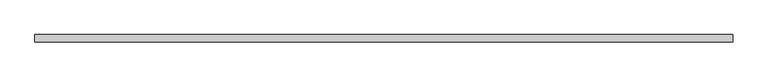
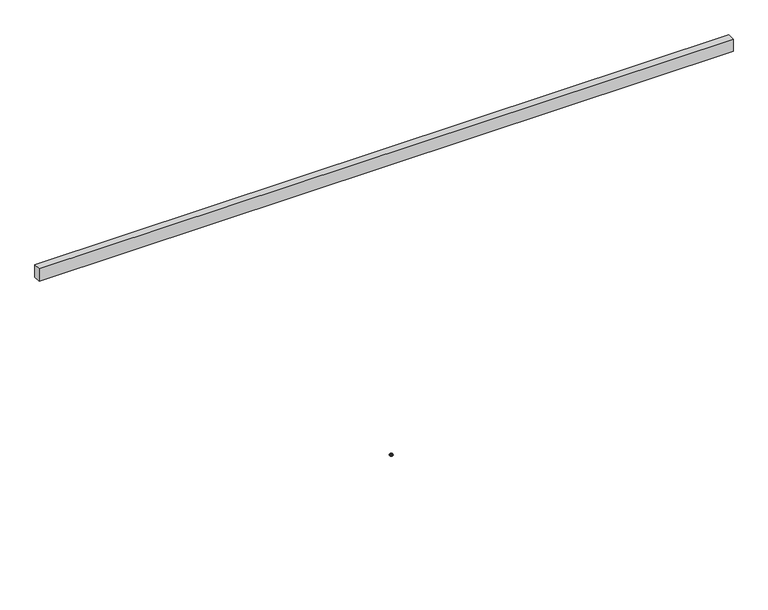
"""IFC4 building model written with IfcOpenShell, lengths in millimetres: furniture geometry."""

import ifcopenshell
import ifcopenshell.guid

model = None  # the IFC model being written
_history = None  # IfcOwnerHistory: only IFC2X3 demands one
_inside = {}  # id of a spatial element -> (the spatial element, [elements in it])
_under = {}  # id of a project, library or spatial element -> (it, [spatial elements below it])
_declared = {}  # id of a project -> (the project, [libraries it declares])
_typed = {}  # id of a type object -> (the type object, [elements of that type])
_made_of = {}  # id of a material, layer set ... -> (it, [elements and type objects made of it])


def new_model(schema):
    """Start an empty IFC model of exactly this schema.

    Asked for "IFC4X3", IfcOpenShell would pick the latest addendum, in which some entities
    have other attributes; the version numbers below select the first issue.
    IFC2X3 requires an IfcOwnerHistory on every rooted entity: one is made here for all.
    """
    global model, _history
    if schema == "IFC4X3":
        model = ifcopenshell.file(schema_version=(4, 3, 0, 0))
    else:
        model = ifcopenshell.file(schema=schema)
    _inside.clear()
    _under.clear()
    _declared.clear()
    _typed.clear()
    _made_of.clear()
    _history = None
    if model.schema == "IFC2X3":
        org = make("IfcOrganization", Name="unknown")
        user = make(
            "IfcPersonAndOrganization",
            ThePerson=make("IfcPerson", FamilyName="unknown"),
            TheOrganization=org,
        )
        app = make(
            "IfcApplication",
            ApplicationDeveloper=org,
            Version="unknown",
            ApplicationFullName="unknown",
            ApplicationIdentifier="unknown",
        )
        _history = make(
            "IfcOwnerHistory",
            OwningUser=user,
            OwningApplication=app,
            ChangeAction="ADDED",
            CreationDate=0,
        )
    return model


def make(cls, **values):
    """One entity of the class cls with the attributes given. An attribute that is None is left unset."""
    return model.create_entity(
        cls, **{name: value for name, value in values.items() if value is not None}
    )


def rooted(cls, **values):
    """An entity with a GlobalId (a new one), such as an element, a storey or a relation."""
    return make(cls, GlobalId=ifcopenshell.guid.new(), OwnerHistory=_history, **values)


def si_unit(unit_type, name, prefix=None):
    """IfcSIUnit, for example si_unit("LENGTHUNIT", "METRE", prefix="MILLI")."""
    return make("IfcSIUnit", UnitType=unit_type, Prefix=prefix, Name=name)


def assignment(units):
    """IfcUnitAssignment: the units of a project."""
    return None if units is None else make("IfcUnitAssignment", Units=units)


def point(xyz):
    """IfcCartesianPoint."""
    return None if xyz is None else make("IfcCartesianPoint", Coordinates=xyz)


def direction(xyz):
    """IfcDirection."""
    return None if xyz is None else make("IfcDirection", DirectionRatios=xyz)


def frame(location, z_axis=None, x_axis=None):
    """IfcAxis2Placement3D, a coordinate frame: its origin and axes. An axis left out is left unset."""
    return make(
        "IfcAxis2Placement3D",
        Location=point(location),
        Axis=direction(z_axis),
        RefDirection=direction(x_axis),
    )


def origin():
    """The frame at (0, 0, 0) with its axes left unset."""
    return frame((0.0, 0.0, 0.0))


def place(relative_to, where):
    """IfcLocalPlacement: puts the frame where relative to a parent placement (None: the world)."""
    return make(
        "IfcLocalPlacement", PlacementRelTo=relative_to, RelativePlacement=where
    )


def context(
    kind, dimensions, precision=None, world=None, true_north=None, identifier=None
):
    """IfcGeometricRepresentationContext, for example the 3D "Model" context."""
    return make(
        "IfcGeometricRepresentationContext",
        ContextIdentifier=identifier,
        ContextType=kind,
        CoordinateSpaceDimension=dimensions,
        Precision=precision,
        WorldCoordinateSystem=world,
        TrueNorth=true_north,
    )


def project(units=None, contexts=None):
    """IfcProject with its units and contexts."""
    return rooted(
        "IfcProject",
        Name="project",
        RepresentationContexts=contexts,
        UnitsInContext=assignment(units),
    )


def spatial(cls, under=None, at=None, **own):
    """A site, building, storey or space (cls), placed at a placement, below another one or the project."""
    s = rooted(cls, ObjectPlacement=at, **own)
    if under is not None:
        _under.setdefault(under.id(), (under, []))[1].append(s)
    return s


def polyline(points):
    """IfcPolyline through the points."""
    return make("IfcPolyline", Points=[point(p) for p in points])


def circle_curve(where, radius):
    """IfcCircle in the frame where."""
    return make("IfcCircle", Position=where, Radius=radius)


def outline(outer, holes=None, kind="AREA"):
    """IfcArbitraryClosedProfileDef: a profile drawn as a closed curve; with holes, ...WithVoids."""
    if holes is None:
        return make("IfcArbitraryClosedProfileDef", ProfileType=kind, OuterCurve=outer)
    return make(
        "IfcArbitraryProfileDefWithVoids",
        ProfileType=kind,
        OuterCurve=outer,
        InnerCurves=holes,
    )


def extrude(swept, where, along, depth):
    """IfcExtrudedAreaSolid: the profile swept, set in the frame where, extruded along a direction by depth."""
    return make(
        "IfcExtrudedAreaSolid",
        SweptArea=swept,
        Position=where,
        ExtrudedDirection=direction(along),
        Depth=depth,
    )


def shape(context_of_items, identifier, shape_type, items):
    """IfcShapeRepresentation: the items that make up one representation, for example the "Body"."""
    return make(
        "IfcShapeRepresentation",
        ContextOfItems=context_of_items,
        RepresentationIdentifier=identifier,
        RepresentationType=shape_type,
        Items=items,
    )


def source(mapping_origin, context_of_items, identifier, shape_type, items):
    """IfcRepresentationMap: a shape defined once, which mapped items show again and again."""
    return make(
        "IfcRepresentationMap",
        MappingOrigin=mapping_origin,
        MappedRepresentation=shape(context_of_items, identifier, shape_type, items),
    )


def transform(
    local_origin,
    x_axis=None,
    y_axis=None,
    z_axis=None,
    scale=None,
    scale2=None,
    scale3=None,
    uniform=True,
):
    """IfcCartesianTransformationOperator3D, or its non-uniform kind. x_axis, y_axis, z_axis: its Axis1, 2, 3."""
    if uniform:
        return make(
            "IfcCartesianTransformationOperator3D",
            Axis1=direction(x_axis),
            Axis2=direction(y_axis),
            LocalOrigin=point(local_origin),
            Scale=scale,
            Axis3=direction(z_axis),
        )
    return make(
        "IfcCartesianTransformationOperator3DnonUniform",
        Axis1=direction(x_axis),
        Axis2=direction(y_axis),
        LocalOrigin=point(local_origin),
        Scale=scale,
        Axis3=direction(z_axis),
        Scale2=scale2,
        Scale3=scale3,
    )


def mapped(mapping_source, mapping_target):
    """IfcMappedItem: shows the shape of a source again, moved by a transform."""
    return make(
        "IfcMappedItem", MappingSource=mapping_source, MappingTarget=mapping_target
    )


def made_of(thing, what):
    """Note that an element or type object is made of a material, layer set ...; save() writes the relation."""
    if what is not None:
        _made_of.setdefault(what.id(), (what, []))[1].append(thing)
    return thing


def element(
    cls,
    number,
    at=None,
    inside=None,
    cuts=None,
    type_object=None,
    material=None,
    context=None,
    identifier="Body",
    shape_type=None,
    held_by="IfcProductDefinitionShape",
    body=None,
    shapes=None,
    **own,
):
    """One element of the class cls, such as IfcWall. Its Tag is "e" and its number.

    at: its placement. inside: the storey or other place that contains it. cuts: it is an
    opening in that element (IfcRelVoidsElement). A single representation is given by context,
    identifier, shape_type and body (its items); several are given by shapes. held_by: the class
    of the entity that holds the representations. save() writes the other relations.
    """
    e = rooted(cls, Tag="e%d" % number, ObjectPlacement=at, **own)
    if body is not None:
        shapes = [shape(context, identifier, shape_type, body)]
    if shapes is not None:
        e.Representation = make(held_by, Representations=shapes)
    if inside is not None:
        _inside.setdefault(inside.id(), (inside, []))[1].append(e)
    if cuts is not None:
        rooted(
            "IfcRelVoidsElement", RelatingBuildingElement=cuts, RelatedOpeningElement=e
        )
    if type_object is not None:
        _typed.setdefault(type_object.id(), (type_object, []))[1].append(e)
    return made_of(e, material)


def aggregate(whole, parts):
    """IfcRelAggregates: a whole, such as a stair, and the parts it consists of."""
    return rooted("IfcRelAggregates", RelatingObject=whole, RelatedObjects=parts)


def save(model, path):
    """Write the relations noted so far, then the file.

    IfcRelAggregates (storeys below a building ...), IfcRelContainedInSpatialStructure (elements
    in a storey), IfcRelDefinesByType, IfcRelAssociatesMaterial and IfcRelDeclares: one each for
    every whole, place, type object, material and project.
    """
    for whole, parts in _under.values():
        aggregate(whole, parts)
    for where, things in _inside.values():
        rooted(
            "IfcRelContainedInSpatialStructure",
            RelatedElements=things,
            RelatingStructure=where,
        )
    for kind, things in _typed.values():
        rooted("IfcRelDefinesByType", RelatedObjects=things, RelatingType=kind)
    for what, things in _made_of.values():
        rooted("IfcRelAssociatesMaterial", RelatedObjects=things, RelatingMaterial=what)
    for by, libraries in _declared.values():
        rooted("IfcRelDeclares", RelatingContext=by, RelatedDefinitions=libraries)
    model.write(path)


def plane_surface(at):
    """IfcPlane: the flat surface through the origin of the frame at, square to its z axis."""
    return make("IfcPlane", Position=at)


def cylinder_surface(at, radius):
    """IfcCylindricalSurface: all points at the distance radius from the z axis of the frame at."""
    return make("IfcCylindricalSurface", Position=at, Radius=radius)


def revolved_surface(curve, axis_point, axis_direction):
    """IfcSurfaceOfRevolution: the curve turned about the line through axis_point along axis_direction."""
    return make(
        "IfcSurfaceOfRevolution",
        SweptCurve=make("IfcArbitraryOpenProfileDef", ProfileType="CURVE", Curve=curve),
        AxisPosition=make("IfcAxis1Placement", Location=point(axis_point), Axis=direction(axis_direction)),
    )


def advanced_brep(points, edges, surfaces, faces):
    """IfcAdvancedBrep: a solid bounded by faces that lie on surfaces and meet in shared edges.

    An edge is (start, end): straight between two places in points (the first is 0);
    or (start, end, curve); or (start, end, curve, False) where it runs against its curve.
    A face is (place in surfaces, loops), or (place, loops, False) where it looks against
    its surface's normal. A loop lists edges by number (the first is 1), with a minus sign
    where the edge is run from its end to its start. The first loop is the outer one.
    """
    corners = [point(p) for p in points]
    vertices = [make("IfcVertexPoint", VertexGeometry=c) for c in corners]
    made = []
    for start, end, *more in edges:
        made.append(
            make(
                "IfcEdgeCurve",
                EdgeStart=vertices[start],
                EdgeEnd=vertices[end],
                EdgeGeometry=more[0] if more else make("IfcPolyline", Points=[corners[start], corners[end]]),
                SameSense=more[1] if len(more) > 1 else True,
            )
        )
    hull = []
    for where, loops, *sense in faces:
        bounds = []
        for j, loop in enumerate(loops):
            ring = [make("IfcOrientedEdge", EdgeElement=made[abs(k) - 1], Orientation=k > 0) for k in loop]
            bounds.append(
                make(
                    "IfcFaceOuterBound" if j == 0 else "IfcFaceBound",
                    Bound=make("IfcEdgeLoop", EdgeList=ring),
                    Orientation=True,
                )
            )
        hull.append(make("IfcAdvancedFace", Bounds=bounds, FaceSurface=surfaces[where], SameSense=sense[0] if sense else True))
    return make("IfcAdvancedBrep", Outer=make("IfcClosedShell", CfsFaces=hull))


def furniture_5e34e4fe(model_context):
    return source(origin(), model_context, "Body", "SolidModel", [
        advanced_brep(
        [(2510.7764925, 0.0, 8.6192084), (2494.3443075, 0.0, 8.6192084), (2495.8530817, 0.0, 8.6192084), (2509.2677183, 0.0, 8.6192084), (2512.4222074, 0.0, 7.9542964), (2492.6985926, 0.0, 7.9542964), (2513.4488395, 0.0, 6.9276644), (2491.6719605, 0.0, 6.9276644), (2513.8095185, 0.0, 5.5815918), (2491.3112815, 0.0, 5.5815918), (2513.8095185, 0.0, 3.5917842), (2491.3112815, 0.0, 3.5917842), (2513.0115956, 0.0, 1.6168555), (2492.1092044, 0.0, 1.6168555), (2511.1583049, 0.0, 0.5457096), (2493.9624951, 0.0, 0.5457096), (2506.4560655, 0.0, 0.1343169), (2498.6647345, 0.0, 0.1343169), (2502.5604, 0.0, 0.1343169), (2509.2677183, 0.0, 12.2513995), (2495.8530817, 0.0, 12.2513995), (2502.5604, 0.0, 12.2513995)],
        [
            (0, 1, circle_curve(frame((2502.5604, 0.0, 8.6192084), z_axis=(0.0, 0.0, 1.0), x_axis=(-1.0, 0.0, 0.0)), 8.2160925)),
            (1, 2),
            (2, 3, circle_curve(frame((2502.5604, 0.0, 8.6192084), z_axis=(0.0, 0.0, -1.0), x_axis=(-1.0, 0.0, 0.0)), 6.7073183)),
            (3, 0),
            (1, 0, circle_curve(frame((2502.5604, 0.0, 8.6192084), z_axis=(0.0, 0.0, 1.0), x_axis=(-1.0, 0.0, 0.0)), 8.2160925)),
            (3, 2, circle_curve(frame((2502.5604, 0.0, 8.6192084), z_axis=(0.0, 0.0, -1.0), x_axis=(-1.0, 0.0, 0.0)), 6.7073183)),
            (4, 5, circle_curve(frame((2502.5604, 0.0, 7.9542964), z_axis=(0.0, 0.0, 1.0), x_axis=(-1.0, 0.0, 0.0)), 9.8618074)),
            (5, 1),
            (0, 4),
            (5, 4, circle_curve(frame((2502.5604, 0.0, 7.9542964), z_axis=(0.0, 0.0, 1.0), x_axis=(-1.0, 0.0, 0.0)), 9.8618074)),
            (6, 7, circle_curve(frame((2502.5604, 0.0, 6.9276644), z_axis=(0.0, 0.0, 1.0), x_axis=(-1.0, 0.0, 0.0)), 10.8884395)),
            (7, 5),
            (4, 6),
            (7, 6, circle_curve(frame((2502.5604, 0.0, 6.9276644), z_axis=(0.0, 0.0, 1.0), x_axis=(-1.0, 0.0, 0.0)), 10.8884395)),
            (8, 9, circle_curve(frame((2502.5604, 0.0, 5.5815918), z_axis=(0.0, 0.0, 1.0), x_axis=(-1.0, 0.0, 0.0)), 11.2491185)),
            (9, 7),
            (6, 8),
            (9, 8, circle_curve(frame((2502.5604, 0.0, 5.5815918), z_axis=(0.0, 0.0, 1.0), x_axis=(-1.0, 0.0, 0.0)), 11.2491185)),
            (10, 11, circle_curve(frame((2502.5604, 0.0, 3.5917842), z_axis=(0.0, 0.0, 1.0), x_axis=(-1.0, 0.0, 0.0)), 11.2491185)),
            (11, 9),
            (8, 10),
            (11, 10, circle_curve(frame((2502.5604, 0.0, 3.5917842), z_axis=(0.0, 0.0, 1.0), x_axis=(-1.0, 0.0, 0.0)), 11.2491185)),
            (12, 13, circle_curve(frame((2502.5604, 0.0, 1.6168555), z_axis=(0.0, 0.0, 1.0), x_axis=(-1.0, 0.0, 0.0)), 10.4511956)),
            (13, 11),
            (10, 12),
            (13, 12, circle_curve(frame((2502.5604, 0.0, 1.6168555), z_axis=(0.0, 0.0, 1.0), x_axis=(-1.0, 0.0, 0.0)), 10.4511956)),
            (14, 15, circle_curve(frame((2502.5604, 0.0, 0.5457096), z_axis=(0.0, 0.0, 1.0), x_axis=(-1.0, 0.0, 0.0)), 8.5979049)),
            (15, 13),
            (12, 14),
            (15, 14, circle_curve(frame((2502.5604, 0.0, 0.5457096), z_axis=(0.0, 0.0, 1.0), x_axis=(-1.0, 0.0, 0.0)), 8.5979049)),
            (16, 17, circle_curve(frame((2502.5604, 0.0, 0.1343169), z_axis=(0.0, 0.0, 1.0), x_axis=(-1.0, 0.0, 0.0)), 3.8956655)),
            (17, 15),
            (14, 16),
            (17, 16, circle_curve(frame((2502.5604, 0.0, 0.1343169), z_axis=(0.0, 0.0, 1.0), x_axis=(-1.0, 0.0, 0.0)), 3.8956655)),
            (18, 17),
            (16, 18),
            (19, 20, circle_curve(frame((2502.5604, 0.0, 12.2513995), z_axis=(0.0, 0.0, 1.0), x_axis=(-1.0, 0.0, 0.0)), 6.7073183)),
            (20, 21),
            (21, 19),
            (20, 19, circle_curve(frame((2502.5604, 0.0, 12.2513995), z_axis=(0.0, 0.0, 1.0), x_axis=(-1.0, 0.0, 0.0)), 6.7073183)),
            (2, 20),
            (19, 3),
        ],
        [
            plane_surface(frame((2502.5604, 0.0, 8.6192084), z_axis=(0.0, 0.0, 1.0), x_axis=(-1.0, 0.0, 0.0))),
            revolved_surface(polyline([(2494.3443075, 0.0, 8.6192084), (2492.6985926, 0.0, 7.9542964)]), (2502.5604, 0.0, 32.4719493), (0.0, 0.0, -1.0)),
            revolved_surface(polyline([(2492.6985926, 0.0, 7.9542964), (2491.6719605, 0.0, 6.9276644)]), (2502.5604, 0.0, 32.4719493), (0.0, 0.0, -1.0)),
            revolved_surface(polyline([(2491.6719605, 0.0, 6.9276644), (2491.3112815, 0.0, 5.5815918)]), (2502.5604, 0.0, 32.4719493), (0.0, 0.0, -1.0)),
            cylinder_surface(frame((2502.5604, 0.0, 32.4719493), z_axis=(0.0, 0.0, -1.0), x_axis=(-1.0, 0.0, 0.0)), 11.2491185),
            revolved_surface(polyline([(2491.3112815, 0.0, 3.5917842), (2492.1092044, 0.0, 1.6168555)]), (2502.5604, 0.0, 32.4719493), (0.0, 0.0, -1.0)),
            revolved_surface(polyline([(2492.1092044, 0.0, 1.6168555), (2493.9624951, 0.0, 0.5457096)]), (2502.5604, 0.0, 32.4719493), (0.0, 0.0, -1.0)),
            revolved_surface(polyline([(2493.9624951, 0.0, 0.5457096), (2498.6647345, 0.0, 0.1343169)]), (2502.5604, 0.0, 32.4719493), (0.0, 0.0, -1.0)),
            plane_surface(frame((2502.5604, 0.0, 0.1343169), z_axis=(0.0, 0.0, -1.0), x_axis=(-1.0, 0.0, 0.0))),
            plane_surface(frame((2502.5604, 0.0, 12.2513995), z_axis=(0.0, 0.0, 1.0), x_axis=(-1.0, 0.0, 0.0))),
            cylinder_surface(frame((2502.5604, 0.0, 32.4719493), z_axis=(0.0, 0.0, -1.0), x_axis=(-1.0, 0.0, 0.0)), 6.7073183),
        ],
        [
            (0, [[1, 2, 3, 4]]),
            (0, [[5, -4, 6, -2]]),
            (1, [[7, 8, -1, 9]]),
            (1, [[10, -9, -5, -8]]),
            (2, [[11, 12, -7, 13]]),
            (2, [[14, -13, -10, -12]]),
            (3, [[15, 16, -11, 17]]),
            (3, [[18, -17, -14, -16]]),
            (4, [[19, 20, -15, 21]]),
            (4, [[22, -21, -18, -20]]),
            (5, [[23, 24, -19, 25]]),
            (5, [[26, -25, -22, -24]]),
            (6, [[27, 28, -23, 29]]),
            (6, [[30, -29, -26, -28]]),
            (7, [[31, 32, -27, 33]]),
            (7, [[34, -33, -30, -32]]),
            (8, [[35, -31, 36]]),
            (8, [[-36, -34, -35]]),
            (9, [[37, 38, 39]]),
            (9, [[40, -39, -38]]),
            (10, [[-3, 41, -37, 42]]),
            (10, [[-6, -42, -40, -41]]),
        ],
    ),
        extrude(outline(polyline([(4903.5208, -25.4), (0.0, -25.4), (0.0, 25.4), (4903.5208, 25.4), (4903.5208, -25.4)])), frame((0.0, 0.0, 2193.163), z_axis=(0.0, 0.0, 1.0), x_axis=(1.0, 0.0, 0.0)), (0.0, 0.0, 1.0), 92.71),
    ])


if __name__ == "__main__":
    model = new_model("IFC4")
    model_context = context("Model", 3, world=origin())
    ifc_project = project(units=[si_unit("LENGTHUNIT", "METRE", prefix="MILLI")], contexts=[model_context])
    site = spatial("IfcSite", under=ifc_project)
    building = spatial("IfcBuilding", under=site)
    placement = place(None, origin())
    furniture_shape = furniture_5e34e4fe(model_context)
    element("IfcFurniture", 1, at=placement, inside=building, context=model_context, shape_type="MappedRepresentation", body=[
        mapped(furniture_shape, transform((0.0, 0.0, 0.0), x_axis=(1.0, 0.0, 0.0), y_axis=(0.0, 1.0, 0.0), z_axis=(0.0, 0.0, 1.0))),
    ])
    save(model, "model.ifc")
